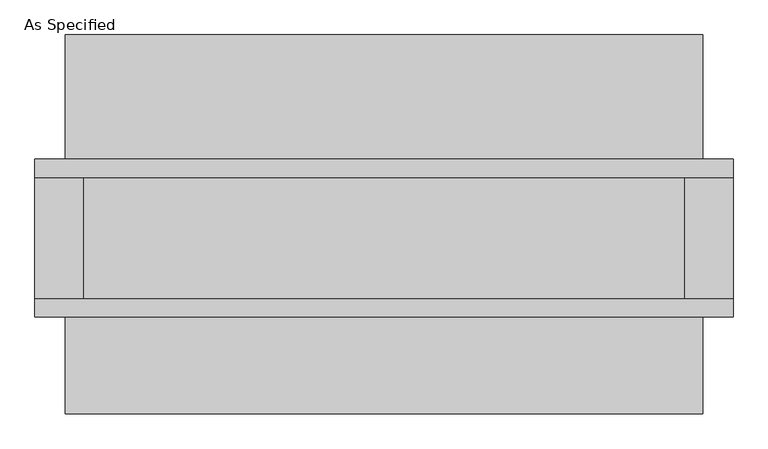
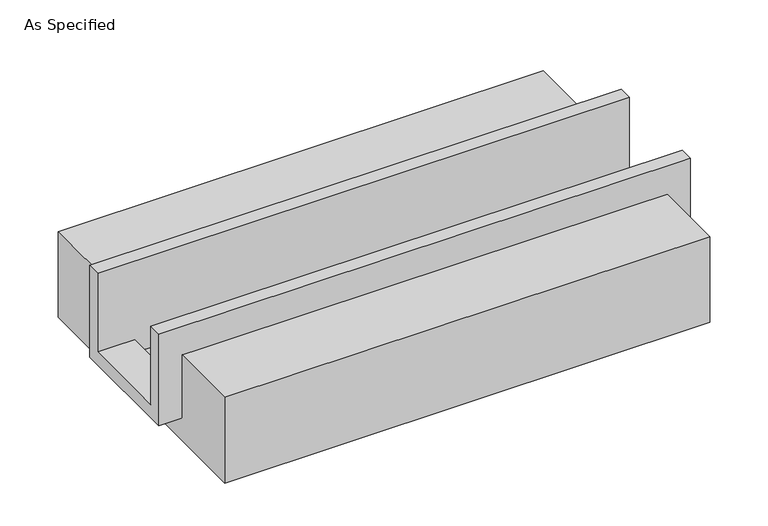
"""IFC4 building model written with IfcOpenShell, lengths in millimetres: proxy geometry, As Specified."""

from ifc_helpers import new_model, si_unit, frame, origin, place, context, project, spatial, polyline, outline, extrude, faceted_brep, source, transform, mapped, element, save


def as_specified_6fd5924a(model_context):
    return source(origin(), model_context, "Body", "SolidModel", [
        faceted_brep([(-1460.5, 196.85, 139.7), (-1460.5, 273.05, 139.7), (-1460.5, 273.05, -393.7), (-1460.5, -387.35, -393.7), (-1460.5, -387.35, 139.7), (-1460.5, -311.15, 139.7), (-1460.5, -311.15, -317.5), (-1460.5, 196.85, -317.5), (1460.5, 196.85, 139.7), (1460.5, 196.85, -317.5), (1460.5, -311.15, -317.5), (1460.5, -311.15, 139.7), (1460.5, -387.35, 139.7), (1460.5, -387.35, -393.7), (1460.5, 273.05, -393.7), (1460.5, 273.05, 139.7), (1257.3, -311.15, -393.7), (1257.3, 196.85, -393.7), (-1257.3, 196.85, -393.7), (-1257.3, -311.15, -393.7), (1257.3, -311.15, -317.5), (-1257.3, -311.15, -317.5), (-1257.3, 196.85, -317.5), (1257.3, 196.85, -317.5)], [[[0, 1, 2, 3, 4, 5, 6, 7]], [[8, 9, 10, 11, 12, 13, 14, 15]], [[1, 0, 8, 15]], [[2, 1, 15, 14]], [[3, 2, 14, 13], [16, 17, 18, 19]], [[4, 3, 13, 12]], [[5, 4, 12, 11]], [[6, 5, 11, 10, 20, 16, 19, 21]], [[7, 6, 21, 22]], [[10, 9, 23, 20]], [[0, 7, 22, 18, 17, 23, 9, 8]], [[16, 20, 23, 17]], [[21, 19, 18, 22]]]),
        extrude(outline(polyline([(793.75, -25.4), (793.75, -523.9742188), (-793.75, -523.9742188), (-793.75, -25.4), (-387.35, -25.4), (-387.35, -393.7), (273.05, -393.7), (273.05, -25.4), (793.75, -25.4)])), frame((-1333.5, 0.0, 0.0), z_axis=(1.0, 0.0, 0.0), x_axis=(0.0, 1.0, 0.0)), (0.0, 0.0, 1.0), 2667.0),
    ])


if __name__ == "__main__":
    model = new_model("IFC4")
    model_context = context("Model", 3, world=origin())
    ifc_project = project(units=[si_unit("LENGTHUNIT", "METRE", prefix="MILLI")], contexts=[model_context])
    site = spatial("IfcSite", under=ifc_project)
    building = spatial("IfcBuilding", under=site)
    placement = place(None, origin())
    as_specified_shape = as_specified_6fd5924a(model_context)
    element("IfcBuildingElementProxy", 1, Name="As Specified", ObjectType="As Specified", at=placement, inside=building, context=model_context, shape_type="MappedRepresentation", body=[
        mapped(as_specified_shape, transform((0.0, 0.0, 0.0), x_axis=(1.0, 0.0, 0.0), y_axis=(0.0, 1.0, 0.0), z_axis=(0.0, 0.0, 1.0))),
    ])
    save(model, "model.ifc")
